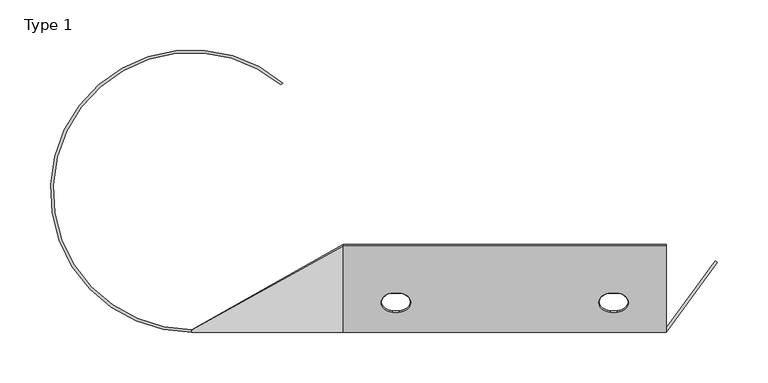
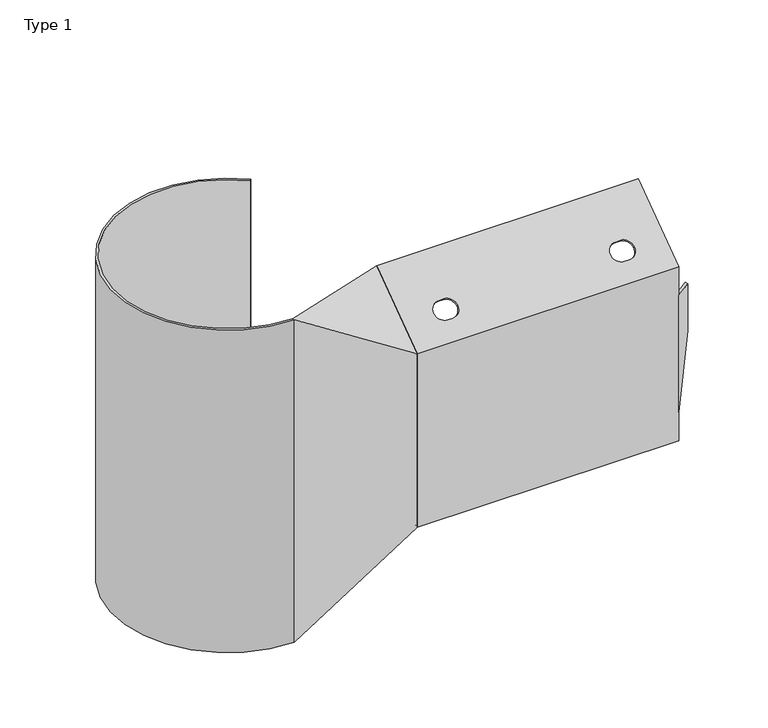
"""IFC4 building model written with IfcOpenShell, lengths in millimetres: proxy geometry, Type 1."""

from ifc_helpers import new_model, si_unit, frame, origin, place, context, project, spatial, polyline, circle_curve, source, transform, mapped, element, save
from ifc_brep_helpers import plane_surface, cylinder_surface, revolved_surface, spline_surface, advanced_brep


def type_1_16fc5f4b(model_context):
    return source(origin(), model_context, "Body", "AdvancedBrep", [
        advanced_brep(
        [(159.5025487, -83.0, 410.6331724), (159.5025487, 1.5207427, 471.5824859), (159.5025487, 0.0, 473.691358), (159.5025487, -85.6, 411.9637742), (159.5025487, -85.6, 375.3164769), (159.5025487, -83.0, 375.3164769), (159.5025487, -85.6, 187.9969633), (159.5025487, 0.0, 126.3278397), (159.5025487, 1.5197948, 128.4373951), (159.5025487, -83.0, 189.3283024), (159.5025487, -83.0, 224.6835231), (159.5025487, -85.6, 224.6835231), (-160.0, -83.0, 410.6331724), (-160.0, -83.0, 189.3283024), (-160.0, 1.5197948, 128.4373951), (-160.0, 0.0, 126.3278397), (-160.0, -85.6, 187.9969633), (-160.0, -85.6, 411.9637742), (-160.0, 0.0, 473.691358), (-160.0, 1.5207427, 471.5824859), (-111.0, -64.0449724, 424.3019581), (-105.0, -64.0449724, 424.3019581), (-93.5, -54.7172689, 431.0283203), (-105.0, -45.3895654, 437.7546824), (-111.0, -45.3895654, 437.7546824), (-122.5, -54.7172689, 431.0283203), (104.5025487, -64.0449724, 424.3019581), (110.5025487, -64.0449724, 424.3019581), (122.0025487, -54.7172689, 431.0283203), (110.5025487, -45.3895654, 437.7546824), (104.5025487, -45.3895654, 437.7546824), (93.0025487, -54.7172689, 431.0283203), (-105.0, -65.5657151, 426.4108302), (-111.0, -65.5657151, 426.4108302), (-122.5, -56.2380116, 433.1371924), (-111.0, -46.9103081, 439.8635545), (-105.0, -46.9103081, 439.8635545), (-93.5, -56.2380116, 433.1371924), (110.5025487, -65.5657151, 426.4108302), (104.5025487, -65.5657151, 426.4108302), (93.0025487, -56.2380116, 433.1371924), (104.5025487, -46.9103081, 439.8635545), (110.5025487, -46.9103081, 439.8635545), (122.0025487, -56.2380116, 433.1371924), (-105.0, -65.5592239, 173.5589131), (-93.5, -56.2284982, 166.836744), (-105.0, -46.8977725, 160.1145748), (-111.0, -46.8977725, 160.1145748), (-122.5, -56.2284982, 166.836744), (-111.0, -65.5592239, 173.5589131), (110.5025487, -46.8977725, 160.1145748), (104.5025487, -46.8977725, 160.1145748), (93.0025487, -56.2284982, 166.836744), (104.5025487, -65.5592239, 173.5589131), (110.5025487, -65.5592239, 173.5589131), (122.0025487, -56.2284982, 166.836744), (-93.5, -54.7087034, 168.9462993), (-105.0, -64.0394291, 175.6684685), (-111.0, -64.0394291, 175.6684685), (-122.5, -54.7087034, 168.9462993), (-111.0, -45.3779777, 162.2241302), (-105.0, -45.3779777, 162.2241302), (104.5025487, -45.3779777, 162.2241302), (110.5025487, -45.3779777, 162.2241302), (122.0025487, -54.7087034, 168.9462993), (110.5025487, -64.0394291, 175.6684685), (104.5025487, -64.0394291, 175.6684685), (93.0025487, -54.7087034, 168.9462993), (208.2618679, -14.5314558, 268.1300861), (159.5025487, -81.1958778, 224.6835231), (159.5025487, -81.1958778, 375.3164769), (208.2618679, -14.5314558, 331.8699139), (210.3604397, -16.0663814, 270.0), (210.3604397, -16.0663814, 330.0)],
        [
            (0, 1),
            (1, 2),
            (2, 3),
            (3, 4),
            (4, 5),
            (5, 0),
            (6, 7),
            (7, 8),
            (8, 9),
            (9, 10),
            (10, 11),
            (11, 6),
            (12, 13),
            (13, 14),
            (14, 15),
            (15, 16),
            (16, 17),
            (17, 18),
            (18, 19),
            (19, 12),
            (0, 12),
            (19, 1),
            (20, 21),
            (21, 22, circle_curve(frame((-105.0, -54.7172689, 431.0283203), z_axis=(0.0, -0.5849010554194639, 0.8111046513053647), x_axis=(0.0, -0.8111046513053647, -0.5849010554194639)), 11.5)),
            (22, 23, circle_curve(frame((-105.0, -54.7172689, 431.0283203), z_axis=(0.0, -0.5849010554194639, 0.8111046513053647), x_axis=(0.0, -0.8111046513053647, -0.5849010554194639)), 11.5)),
            (23, 24),
            (24, 25, circle_curve(frame((-111.0, -54.7172689, 431.0283203), z_axis=(0.0, -0.5849010554194639, 0.8111046513053647), x_axis=(0.0, -0.8111046513053647, -0.5849010554194639)), 11.5)),
            (25, 20, circle_curve(frame((-111.0, -54.7172689, 431.0283203), z_axis=(0.0, -0.5849010554194639, 0.8111046513053647), x_axis=(0.0, -0.8111046513053647, -0.5849010554194639)), 11.5)),
            (26, 27),
            (27, 28, circle_curve(frame((110.5025487, -54.7172689, 431.0283203), z_axis=(0.0, -0.5849010554194639, 0.8111046513053647), x_axis=(0.0, -0.8111046513053647, -0.5849010554194639)), 11.5)),
            (28, 29, circle_curve(frame((110.5025487, -54.7172689, 431.0283203), z_axis=(0.0, -0.5849010554194639, 0.8111046513053647), x_axis=(0.0, -0.8111046513053647, -0.5849010554194639)), 11.5)),
            (29, 30),
            (30, 31, circle_curve(frame((104.5025487, -54.7172689, 431.0283203), z_axis=(0.0, -0.5849010554194639, 0.8111046513053647), x_axis=(0.0, -0.8111046513053647, -0.5849010554194639)), 11.5)),
            (31, 26, circle_curve(frame((104.5025487, -54.7172689, 431.0283203), z_axis=(0.0, -0.5849010554194639, 0.8111046513053647), x_axis=(0.0, -0.8111046513053647, -0.5849010554194639)), 11.5)),
            (2, 18),
            (17, 3),
            (32, 33),
            (33, 34, circle_curve(frame((-111.0, -56.2380116, 433.1371924), z_axis=(0.0, 0.5849010554194639, -0.8111046513053647), x_axis=(0.0, -0.8111046513053647, -0.5849010554194639)), 11.5)),
            (34, 35, circle_curve(frame((-111.0, -56.2380116, 433.1371924), z_axis=(0.0, 0.5849010554194639, -0.8111046513053647), x_axis=(0.0, -0.8111046513053647, -0.5849010554194639)), 11.5)),
            (35, 36),
            (36, 37, circle_curve(frame((-105.0, -56.2380116, 433.1371924), z_axis=(0.0, 0.5849010554194639, -0.8111046513053647), x_axis=(0.0, -0.8111046513053647, -0.5849010554194639)), 11.5)),
            (37, 32, circle_curve(frame((-105.0, -56.2380116, 433.1371924), z_axis=(0.0, 0.5849010554194639, -0.8111046513053647), x_axis=(0.0, -0.8111046513053647, -0.5849010554194639)), 11.5)),
            (38, 39),
            (39, 40, circle_curve(frame((104.5025487, -56.2380116, 433.1371924), z_axis=(0.0, 0.5849010554194639, -0.8111046513053647), x_axis=(0.0, -0.8111046513053647, -0.5849010554194639)), 11.5)),
            (40, 41, circle_curve(frame((104.5025487, -56.2380116, 433.1371924), z_axis=(0.0, 0.5849010554194639, -0.8111046513053647), x_axis=(0.0, -0.8111046513053647, -0.5849010554194639)), 11.5)),
            (41, 42),
            (42, 43, circle_curve(frame((110.5025487, -56.2380116, 433.1371924), z_axis=(0.0, 0.5849010554194639, -0.8111046513053647), x_axis=(0.0, -0.8111046513053647, -0.5849010554194639)), 11.5)),
            (43, 38, circle_curve(frame((110.5025487, -56.2380116, 433.1371924), z_axis=(0.0, 0.5849010554194639, -0.8111046513053647), x_axis=(0.0, -0.8111046513053647, -0.5849010554194639)), 11.5)),
            (16, 6),
            (11, 4),
            (15, 7),
            (44, 45, circle_curve(frame((-105.0, -56.2284982, 166.836744), z_axis=(0.0, 0.5845364452825441, 0.8113674532149089), x_axis=(0.0, 0.8113674532149089, -0.5845364452825441)), 11.5)),
            (45, 46, circle_curve(frame((-105.0, -56.2284982, 166.836744), z_axis=(0.0, 0.5845364452825441, 0.8113674532149089), x_axis=(0.0, 0.8113674532149089, -0.5845364452825441)), 11.5)),
            (46, 47),
            (47, 48, circle_curve(frame((-111.0, -56.2284982, 166.836744), z_axis=(0.0, 0.5845364452825441, 0.8113674532149089), x_axis=(0.0, 0.8113674532149089, -0.5845364452825441)), 11.5)),
            (48, 49, circle_curve(frame((-111.0, -56.2284982, 166.836744), z_axis=(0.0, 0.5845364452825441, 0.8113674532149089), x_axis=(0.0, 0.8113674532149089, -0.5845364452825441)), 11.5)),
            (49, 44),
            (50, 51),
            (51, 52, circle_curve(frame((104.5025487, -56.2284982, 166.836744), z_axis=(0.0, 0.5845364452825441, 0.8113674532149089), x_axis=(0.0, 0.8113674532149089, -0.5845364452825441)), 11.5)),
            (52, 53, circle_curve(frame((104.5025487, -56.2284982, 166.836744), z_axis=(0.0, 0.5845364452825441, 0.8113674532149089), x_axis=(0.0, 0.8113674532149089, -0.5845364452825441)), 11.5)),
            (53, 54),
            (54, 55, circle_curve(frame((110.5025487, -56.2284982, 166.836744), z_axis=(0.0, 0.5845364452825441, 0.8113674532149089), x_axis=(0.0, 0.8113674532149089, -0.5845364452825441)), 11.5)),
            (55, 50, circle_curve(frame((110.5025487, -56.2284982, 166.836744), z_axis=(0.0, 0.5845364452825441, 0.8113674532149089), x_axis=(0.0, 0.8113674532149089, -0.5845364452825441)), 11.5)),
            (8, 14),
            (13, 9),
            (56, 57, circle_curve(frame((-105.0, -54.7087034, 168.9462993), z_axis=(0.0, -0.5845364452825441, -0.8113674532149089), x_axis=(0.0, 0.8113674532149089, -0.5845364452825441)), 11.5)),
            (57, 58),
            (58, 59, circle_curve(frame((-111.0, -54.7087034, 168.9462993), z_axis=(0.0, -0.5845364452825441, -0.8113674532149089), x_axis=(0.0, 0.8113674532149089, -0.5845364452825441)), 11.5)),
            (59, 60, circle_curve(frame((-111.0, -54.7087034, 168.9462993), z_axis=(0.0, -0.5845364452825441, -0.8113674532149089), x_axis=(0.0, 0.8113674532149089, -0.5845364452825441)), 11.5)),
            (60, 61),
            (61, 56, circle_curve(frame((-105.0, -54.7087034, 168.9462993), z_axis=(0.0, -0.5845364452825441, -0.8113674532149089), x_axis=(0.0, 0.8113674532149089, -0.5845364452825441)), 11.5)),
            (62, 63),
            (63, 64, circle_curve(frame((110.5025487, -54.7087034, 168.9462993), z_axis=(0.0, -0.5845364452825441, -0.8113674532149089), x_axis=(0.0, 0.8113674532149089, -0.5845364452825441)), 11.5)),
            (64, 65, circle_curve(frame((110.5025487, -54.7087034, 168.9462993), z_axis=(0.0, -0.5845364452825441, -0.8113674532149089), x_axis=(0.0, 0.8113674532149089, -0.5845364452825441)), 11.5)),
            (65, 66),
            (66, 67, circle_curve(frame((104.5025487, -54.7087034, 168.9462993), z_axis=(0.0, -0.5845364452825441, -0.8113674532149089), x_axis=(0.0, 0.8113674532149089, -0.5845364452825441)), 11.5)),
            (67, 62, circle_curve(frame((104.5025487, -54.7087034, 168.9462993), z_axis=(0.0, -0.5845364452825441, -0.8113674532149089), x_axis=(0.0, 0.8113674532149089, -0.5845364452825441)), 11.5)),
            (5, 10),
            (68, 69),
            (69, 70),
            (70, 71),
            (71, 68),
            (72, 11),
            (10, 69),
            (68, 72),
            (4, 73),
            (73, 71),
            (70, 5),
            (72, 73),
            (20, 33),
            (32, 21),
            (25, 34),
            (24, 35),
            (23, 36),
            (22, 37),
            (26, 39),
            (38, 27),
            (31, 40),
            (30, 41),
            (29, 42),
            (28, 43),
            (56, 45),
            (44, 57),
            (61, 46),
            (60, 47),
            (59, 48),
            (58, 49),
            (62, 51),
            (50, 63),
            (67, 52),
            (66, 53),
            (65, 54),
            (64, 55),
        ],
        [
            plane_surface(frame((159.5025487, -71.8458867, 418.676589), z_axis=(1.0, 0.0, 0.0), x_axis=(0.0, 0.8111046513053651, 0.5849010554194634))),
            plane_surface(frame((-160.0, -71.8458867, 418.676589), z_axis=(-1.0, 0.0, 0.0), x_axis=(0.0, -0.8111046513053651, -0.5849010554194634))),
            plane_surface(frame((159.5025487, -83.0, 410.6331724), z_axis=(0.0, 0.5849010554194634, -0.8111046513053651), x_axis=(-1.0, 0.0, 0.0))),
            plane_surface(frame((159.5025487, 0.0, 473.691358), z_axis=(0.0, -0.584901055419464, 0.8111046513053647), x_axis=(-1.0, 0.0, 0.0))),
            plane_surface(frame((159.5025487, -85.6, 411.9637742), z_axis=(0.0, -1.0, 0.0), x_axis=(-1.0, 0.0, 0.0))),
            plane_surface(frame((159.5025487, -85.6, 187.9969633), z_axis=(0.0, -0.5845364452825442, -0.8113674532149089), x_axis=(-1.0, 0.0, 0.0))),
            plane_surface(frame((159.5025487, 1.5197948, 128.4373951), z_axis=(0.0, 0.5845364452825442, 0.8113674532149089), x_axis=(-1.0, 0.0, 0.0))),
            plane_surface(frame((159.5025487, -83.0, 189.3283024), z_axis=(0.0, 1.0, 0.0), x_axis=(-1.0, 0.0, 0.0))),
            plane_surface(frame((159.5025487, 1.5207427, 471.5824859), z_axis=(0.0, 0.811104651305374, 0.5849010554194511), x_axis=(-1.0, 0.0, 0.0))),
            plane_surface(frame((159.5025487, 0.0, 126.3278397), z_axis=(0.0, 0.8113674532149099, -0.5845364452825428), x_axis=(-1.0, 0.0, 0.0))),
            plane_surface(frame((208.2618679, -14.5314558, 224.6835231), z_axis=(-0.8071429763014644, 0.5903560076828336, 0.0), x_axis=(0.0, 0.0, 1.0))),
            plane_surface(frame((159.5025487, -85.6, 224.6835231), z_axis=(0.6652610345647216, 0.0, -0.7466108463516159), x_axis=(0.0, 1.0, 0.0))),
            plane_surface(frame((210.3604397, -85.6, 330.0), z_axis=(0.6652610345648446, 0.0, 0.7466108463515063), x_axis=(0.0, 1.0, 0.0))),
            plane_surface(frame((159.5025487, -85.6, 375.3164769), z_axis=(-1.0, 0.0, 0.0), x_axis=(0.0, 1.0, 0.0))),
            plane_surface(frame((159.5025487, -85.6, 224.6835231), z_axis=(0.8071429763014647, -0.5903560076828331, 0.0), x_axis=(0.0, 0.0, 1.0))),
            plane_surface(frame((210.3604397, -16.0663814, 224.6835231), z_axis=(0.5903560076828851, 0.8071429763014266, 0.0), x_axis=(0.0, 0.0, 1.0))),
            plane_surface(frame((-105.0, -64.0449724, 424.3019581), z_axis=(0.0, 0.8111046513053627, 0.5849010554194668), x_axis=(0.0, -0.5849010554194668, 0.8111046513053627))),
            revolved_surface(polyline([(-111.0, -64.04497233155338, 424.301958149358), (-111.0, -65.5657150900117, 426.41083026267614)]), (-111.0, -56.2380116, 433.1371924), (0.0, 0.5849010554194639, -0.8111046513053647)),
            revolved_surface(polyline([(-111.0, -64.04497233674675, 424.3019581565598), (-111.0, -65.5657150900117, 426.41083026267614)]), (-111.0, -56.2380116, 433.1371924), (0.0, 0.5849010554194639, -0.8111046513053647)),
            plane_surface(frame((-111.0, -45.3895654, 437.7546824), z_axis=(0.0, -0.8111046513053627, -0.5849010554194668), x_axis=(0.0, -0.5849010554194668, 0.8111046513053627))),
            revolved_surface(polyline([(-105.0, -64.04497233674675, 424.3019581565598), (-105.0, -65.5657150900117, 426.41083026267614)]), (-105.0, -56.2380116, 433.1371924), (0.0, 0.5849010554194639, -0.8111046513053647)),
            revolved_surface(polyline([(-105.0, -64.04497233155338, 424.301958149358), (-105.0, -65.5657150900117, 426.41083026267614)]), (-105.0, -56.2380116, 433.1371924), (0.0, 0.5849010554194639, -0.8111046513053647)),
            plane_surface(frame((110.5025487, -64.0449724, 424.3019581), z_axis=(0.0, 0.8111046513053611, 0.5849010554194689), x_axis=(0.0, -0.5849010554194689, 0.8111046513053611))),
            revolved_surface(polyline([(104.5025487, -64.04497233155338, 424.301958149358), (104.5025487, -65.5657150900117, 426.41083026267614)]), (104.5025487, -56.2380116, 433.1371924), (0.0, 0.5849010554194639, -0.8111046513053647)),
            revolved_surface(polyline([(104.5025487, -64.04497233674675, 424.3019581565598), (104.5025487, -65.5657150900117, 426.41083026267614)]), (104.5025487, -56.2380116, 433.1371924), (0.0, 0.5849010554194639, -0.8111046513053647)),
            plane_surface(frame((104.5025487, -45.3895654, 437.7546824), z_axis=(0.0, -0.8111046513053611, -0.5849010554194689), x_axis=(0.0, -0.5849010554194689, 0.8111046513053611))),
            revolved_surface(polyline([(110.5025487, -64.04497233674675, 424.3019581565598), (110.5025487, -65.5657150900117, 426.41083026267614)]), (110.5025487, -56.2380116, 433.1371924), (0.0, 0.5849010554194639, -0.8111046513053647)),
            revolved_surface(polyline([(110.5025487, -64.04497233155338, 424.301958149358), (110.5025487, -65.5657150900117, 426.41083026267614)]), (110.5025487, -56.2380116, 433.1371924), (0.0, 0.5849010554194639, -0.8111046513053647)),
            revolved_surface(polyline([(-105.0, -45.3779777113391, 162.22413028391983), (-105.0, -46.89777249377894, 160.11457487126893)]), (-105.0, -56.2284982, 166.836744), (0.0, 0.5845364452825441, 0.8113674532149089)),
            revolved_surface(polyline([(-105.0, -45.3779777472657, 162.2241302340518), (-105.0, -46.89777252970554, 160.1145748214009)]), (-105.0, -56.2284982, 166.836744), (0.0, 0.5845364452825441, 0.8113674532149089)),
            plane_surface(frame((-105.0, -45.3779777, 162.2241302), z_axis=(0.0, -0.8113674532149091, 0.584536445282544), x_axis=(0.0, -0.584536445282544, -0.8113674532149091))),
            revolved_surface(polyline([(-111.0, -45.3779777472657, 162.2241302340518), (-111.0, -46.89777252970554, 160.1145748214009)]), (-111.0, -56.2284982, 166.836744), (0.0, 0.5845364452825441, 0.8113674532149089)),
            revolved_surface(polyline([(-111.0, -45.3779777113391, 162.22413028391983), (-111.0, -46.89777249377894, 160.11457487126893)]), (-111.0, -56.2284982, 166.836744), (0.0, 0.5845364452825441, 0.8113674532149089)),
            plane_surface(frame((-111.0, -64.0394291, 175.6684685), z_axis=(0.0, 0.8113674532149091, -0.584536445282544), x_axis=(0.0, -0.584536445282544, -0.8113674532149091))),
            plane_surface(frame((110.5025487, -45.3779777, 162.2241302), z_axis=(0.0, -0.8113674532149074, 0.584536445282546), x_axis=(0.0, -0.584536445282546, -0.8113674532149074))),
            revolved_surface(polyline([(104.5025487, -45.3779777472657, 162.2241302340518), (104.5025487, -46.89777252970554, 160.1145748214009)]), (104.5025487, -56.2284982, 166.836744), (0.0, 0.5845364452825441, 0.8113674532149089)),
            revolved_surface(polyline([(104.5025487, -45.3779777113391, 162.22413028391983), (104.5025487, -46.89777249377894, 160.11457487126893)]), (104.5025487, -56.2284982, 166.836744), (0.0, 0.5845364452825441, 0.8113674532149089)),
            plane_surface(frame((104.5025487, -64.0394291, 175.6684685), z_axis=(0.0, 0.8113674532149074, -0.584536445282546), x_axis=(0.0, -0.584536445282546, -0.8113674532149074))),
            revolved_surface(polyline([(110.5025487, -45.3779777113391, 162.22413028391983), (110.5025487, -46.89777249377894, 160.11457487126893)]), (110.5025487, -56.2284982, 166.836744), (0.0, 0.5845364452825441, 0.8113674532149089)),
            revolved_surface(polyline([(110.5025487, -45.3779777472657, 162.2241302340518), (110.5025487, -46.89777252970554, 160.1145748214009)]), (110.5025487, -56.2284982, 166.836744), (0.0, 0.5845364452825441, 0.8113674532149089)),
        ],
        [
            (0, [[1, 2, 3, 4, 5, 6]]),
            (0, [[7, 8, 9, 10, 11, 12]]),
            (1, [[13, 14, 15, 16, 17, 18, 19, 20]]),
            (2, [[-1, 21, -20, 22], [23, 24, 25, 26, 27, 28], [29, 30, 31, 32, 33, 34]]),
            (3, [[-3, 35, -18, 36], [37, 38, 39, 40, 41, 42], [43, 44, 45, 46, 47, 48]]),
            (4, [[-17, 49, -12, 50, -4, -36]]),
            (5, [[-7, -49, -16, 51], [52, 53, 54, 55, 56, 57], [58, 59, 60, 61, 62, 63]]),
            (6, [[-9, 64, -14, 65], [66, 67, 68, 69, 70, 71], [72, 73, 74, 75, 76, 77]]),
            (7, [[-13, -21, -6, 78, -10, -65]]),
            (8, [[-2, -22, -19, -35]]),
            (9, [[-8, -51, -15, -64]]),
            (10, [[79, 80, 81, 82]]),
            (11, [[83, -11, 84, -79, 85]]),
            (12, [[86, 87, -81, 88, -5]]),
            (13, [[-78, -88, -80, -84]]),
            (14, [[89, -86, -50, -83]]),
            (15, [[-89, -85, -82, -87]]),
            (16, [[90, -37, 91, -23]]),
            (17, [[-90, -28, 92, -38]]),
            (18, [[-92, -27, 93, -39]]),
            (19, [[-93, -26, 94, -40]]),
            (20, [[-94, -25, 95, -41]]),
            (21, [[-91, -42, -95, -24]]),
            (22, [[96, -43, 97, -29]]),
            (23, [[-96, -34, 98, -44]]),
            (24, [[-98, -33, 99, -45]]),
            (25, [[-99, -32, 100, -46]]),
            (26, [[-100, -31, 101, -47]]),
            (27, [[-97, -48, -101, -30]]),
            (28, [[102, -52, 103, -66]]),
            (29, [[-102, -71, 104, -53]]),
            (30, [[-104, -70, 105, -54]]),
            (31, [[-105, -69, 106, -55]]),
            (32, [[-106, -68, 107, -56]]),
            (33, [[-103, -57, -107, -67]]),
            (34, [[108, -58, 109, -72]]),
            (35, [[-108, -77, 110, -59]]),
            (36, [[-110, -76, 111, -60]]),
            (37, [[-111, -75, 112, -61]]),
            (38, [[-112, -74, 113, -62]]),
            (39, [[-109, -63, -113, -73]]),
        ],
    ),
        advanced_brep(
        [(-160.0, -83.0, 410.6331724), (-160.0, 1.5207427, 471.5824859), (-160.0, 0.0, 473.691358), (-160.0, -85.6, 411.9637742), (-160.0, -85.6, 187.9969633), (-160.0, 0.0, 126.3278397), (-160.0, 1.5197948, 128.4373951), (-160.0, -83.0, 189.3283024), (-310.0, -83.0, 508.0), (-310.0, -85.6, 508.0), (-310.0, -85.6, 92.0), (-310.0, -83.0, 92.0), (-220.0, 161.6380529, 508.0), (-221.8456191, 159.7924339, 508.0), (-220.0, 161.6380529, 92.0), (-221.8456191, 159.7924339, 92.0)],
        [
            (0, 1),
            (1, 2),
            (2, 3),
            (3, 4),
            (4, 5),
            (5, 6),
            (6, 7),
            (7, 0),
            (0, 8),
            (8, 1),
            (8, 2),
            (8, 9),
            (9, 3),
            (9, 10),
            (10, 4),
            (10, 11),
            (11, 5),
            (11, 6),
            (11, 7),
            (11, 8),
            (12, 9, circle_curve(frame((-310.0, 54.4, 508.0), z_axis=(0.0, 0.0, 1.0), x_axis=(-1.0, 0.0, 0.0)), 140.0)),
            (8, 13, circle_curve(frame((-310.0, 54.4, 508.0), z_axis=(0.0, 0.0, -1.0), x_axis=(-1.0, 0.0, 0.0)), 137.4)),
            (13, 12),
            (14, 15),
            (15, 11, circle_curve(frame((-310.0, 54.4, 92.0), z_axis=(0.0, 0.0, 1.0), x_axis=(-1.0, 0.0, 0.0)), 137.4)),
            (10, 14, circle_curve(frame((-310.0, 54.4, 92.0), z_axis=(0.0, 0.0, -1.0), x_axis=(-1.0, 0.0, 0.0)), 140.0)),
            (12, 14),
            (15, 13),
        ],
        [
            plane_surface(frame((-160.0, -41.7699328, 299.9951614), z_axis=(1.0, 0.0, 0.0), x_axis=(0.0, 0.8111046513053649, 0.5849010554194636))),
            plane_surface(frame((-310.0, -83.0, 508.0), z_axis=(-0.4658726222908497, 0.5175507490117469, -0.7177074069544128), x_axis=(0.0, 0.8111046513053649, 0.5849010554194636))),
            plane_surface(frame((-310.0, -83.0, 508.0), z_axis=(-0.30047274942495855, 0.7736238296917165, 0.5578730115233466), x_axis=(0.0, -0.5849010554194513, 0.8111046513053738))),
            spline_surface(1, 1, [[(-310.0, -83.0, 508.0), (-160.0, 0.0, 473.691358)], [(-310.0, -85.6, 508.0), (-160.0, -85.6, 411.9637742)]], [2, 2], [2, 2], [0.0, 1.0], [0.0, 1.0]),
            plane_surface(frame((-310.0, -85.6, 300.0), z_axis=(0.0, -1.0, 0.0), x_axis=(0.0, 0.0, -1.0))),
            spline_surface(1, 1, [[(-310.0, -85.6, 92.0), (-160.0, -85.6, 187.9969633)], [(-310.0, -83.0, 92.0), (-160.0, 0.0, 126.3278397)]], [2, 2], [2, 2], [0.0, 1.0], [0.0, 1.0]),
            plane_surface(frame((-310.0, -83.0, 92.0), z_axis=(-0.3006063635639592, 0.7738403268106463, -0.5575006392699877), x_axis=(0.0, 0.5845364452825408, 0.8113674532149112))),
            plane_surface(frame((-310.0, -83.0, 92.0), z_axis=(-0.4658464341630251, 0.5172361823735152, 0.7179511344243885), x_axis=(0.0, -0.8113674532149089, 0.5845364452825442))),
            plane_surface(frame((-310.0, -83.0, 300.0), z_axis=(0.0, 1.0, 0.0), x_axis=(0.0, 0.0, 1.0))),
            plane_surface(frame((-450.0, 54.4, 508.0), z_axis=(0.0, 0.0, 1.0), x_axis=(0.0, -1.0, 0.0))),
            plane_surface(frame((-450.0, 54.4, 92.0), z_axis=(0.0, 0.0, -1.0), x_axis=(0.0, 1.0, 0.0))),
            cylinder_surface(frame((-310.0, 54.4, 92.0), z_axis=(0.0, 0.0, 1.0), x_axis=(-1.0, 0.0, 0.0)), 140.0),
            revolved_surface(polyline([(-447.4, 54.4, 92.0), (-447.4, 54.4, 508.0)]), (-310.0, 54.4, 92.0), (0.0, 0.0, -1.0)),
            plane_surface(frame((-221.8456191, 159.7924339, 508.0), z_axis=(0.707106781186554, -0.707106781186541, 0.0), x_axis=(0.0, 0.0, -1.0))),
        ],
        [
            (0, [[1, 2, 3, 4, 5, 6, 7, 8]]),
            (1, [[-1, 9, 10]]),
            (2, [[-2, -10, 11]]),
            (3, [[-3, -11, 12, 13]]),
            (4, [[-4, -13, 14, 15]]),
            (5, [[-5, -15, 16, 17]]),
            (6, [[-6, -17, 18]]),
            (7, [[-7, -18, 19]]),
            (8, [[-8, -19, 20, -9]]),
            (9, [[21, -12, 22, 23]]),
            (10, [[24, 25, -16, 26]]),
            (11, [[-21, 27, -26, -14]]),
            (12, [[-22, -20, -25, 28]]),
            (13, [[-23, -28, -24, -27]]),
        ],
    ),
    ])


if __name__ == "__main__":
    model = new_model("IFC4")
    model_context = context("Model", 3, world=origin())
    ifc_project = project(units=[si_unit("LENGTHUNIT", "METRE", prefix="MILLI")], contexts=[model_context])
    site = spatial("IfcSite", under=ifc_project)
    building = spatial("IfcBuilding", under=site)
    placement = place(None, origin())
    type_1_shape = type_1_16fc5f4b(model_context)
    element("IfcBuildingElementProxy", 1, Name="Type 1", ObjectType="Type 1", at=placement, inside=building, context=model_context, shape_type="MappedRepresentation", body=[
        mapped(type_1_shape, transform((0.0, 0.0, 0.0), x_axis=(1.0, 0.0, 0.0), y_axis=(0.0, 1.0, 0.0), z_axis=(0.0, 0.0, 1.0))),
    ])
    save(model, "model.ifc")
